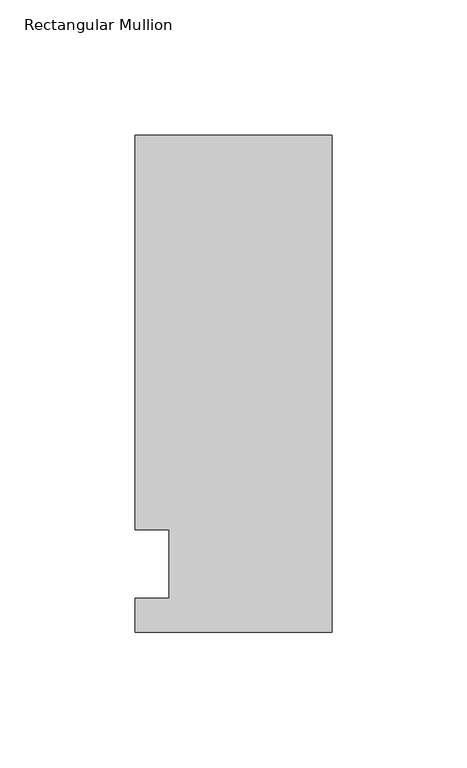
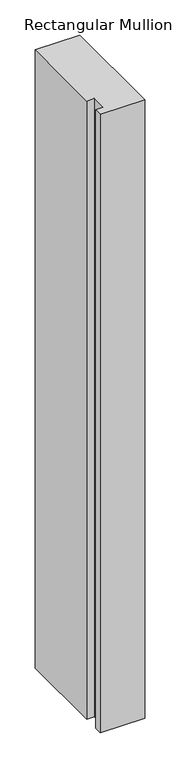
"""IFC4 building model written with IfcOpenShell, lengths in millimetres: member geometry, Rectangular Mullion."""

from ifc_helpers import new_model, si_unit, frame, origin, place, context, project, spatial, polyline, outline, extrude, source, transform, mapped, element, save


def rectangular_mullion_c59330d9(model_context):
    return source(origin(), model_context, "Body", "SweptSolid", [
        extrude(outline(polyline([(-73.025, 158.75), (0.0, 158.75), (0.0, -25.4), (-73.025, -25.4), (-73.025, -12.7), (-60.3232296, -12.7), (-60.3232296, 12.7), (-73.025, 12.7), (-73.025, 158.75)])), frame((0.0, 0.0, -1071.9905973), z_axis=(0.0, 0.0, 1.0), x_axis=(1.0, 0.0, 0.0)), (0.0, 0.0, 1.0), 1071.9905973),
    ])


if __name__ == "__main__":
    model = new_model("IFC4")
    model_context = context("Model", 3, world=origin())
    ifc_project = project(units=[si_unit("LENGTHUNIT", "METRE", prefix="MILLI")], contexts=[model_context])
    site = spatial("IfcSite", under=ifc_project)
    building = spatial("IfcBuilding", under=site)
    placement = place(None, origin())
    rectangular_mullion_shape = rectangular_mullion_c59330d9(model_context)
    element("IfcMember", 1, ObjectType="Rectangular Mullion", at=placement, inside=building, context=model_context, shape_type="MappedRepresentation", body=[
        mapped(rectangular_mullion_shape, transform((0.0, 0.0, 0.0), x_axis=(1.0, 0.0, 0.0), y_axis=(0.0, 1.0, 0.0), z_axis=(0.0, 0.0, 1.0))),
    ])
    save(model, "model.ifc")
